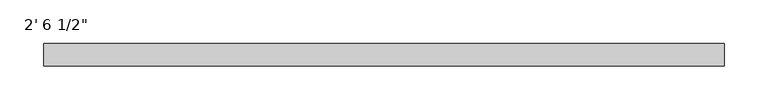
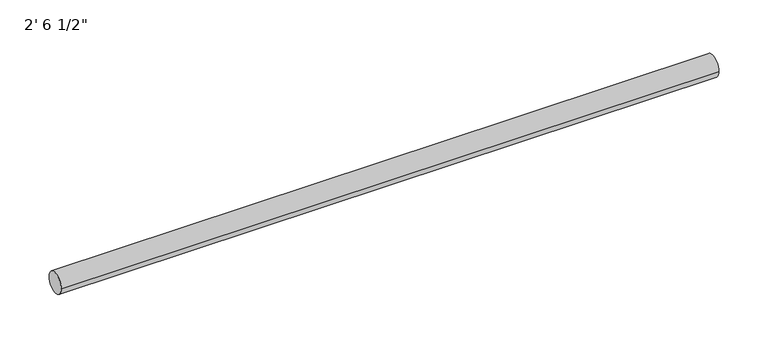
"""IFC4 building model written with IfcOpenShell, lengths in millimetres: furniture geometry."""

from ifc_helpers import new_model, si_unit, point, frame, frame_2d, origin, place, context, project, spatial, circle_curve, trimmed, segment, composite_curve, outline, extrude, source, transform, mapped, element, save


def furniture_d61ff73e(model_context):
    return source(origin(), model_context, "Body", "SweptSolid", [
        extrude(outline(composite_curve([segment(trimmed(circle_curve(frame_2d((-342.9, -12.7)), 12.7), [point((-330.2, -12.7))], [point((-355.6, -12.7))], False, "CARTESIAN"), True, "CONTINUOUS"), segment(trimmed(circle_curve(frame_2d((-342.9, -12.7)), 12.7), [point((-355.6, -12.7))], [point((-330.2, -12.7))], False, "CARTESIAN"), True, "CONTINUOUS")], self_intersect=False)), frame((-368.6122951, 0.0, 0.0), z_axis=(1.0, 0.0, 0.0), x_axis=(0.0, 1.0, 0.0)), (0.0, 0.0, 1.0), 774.7),
    ])


if __name__ == "__main__":
    model = new_model("IFC4")
    model_context = context("Model", 3, world=origin())
    ifc_project = project(units=[si_unit("LENGTHUNIT", "METRE", prefix="MILLI")], contexts=[model_context])
    site = spatial("IfcSite", under=ifc_project)
    building = spatial("IfcBuilding", under=site)
    placement = place(None, origin())
    furniture_shape = furniture_d61ff73e(model_context)
    element("IfcFurniture", 1, ObjectType="2' 6 1/2\"", at=placement, inside=building, context=model_context, shape_type="MappedRepresentation", body=[
        mapped(furniture_shape, transform((0.0, 0.0, 0.0), x_axis=(1.0, 0.0, 0.0), y_axis=(0.0, 1.0, 0.0), z_axis=(0.0, 0.0, 1.0))),
    ])
    save(model, "model.ifc")
